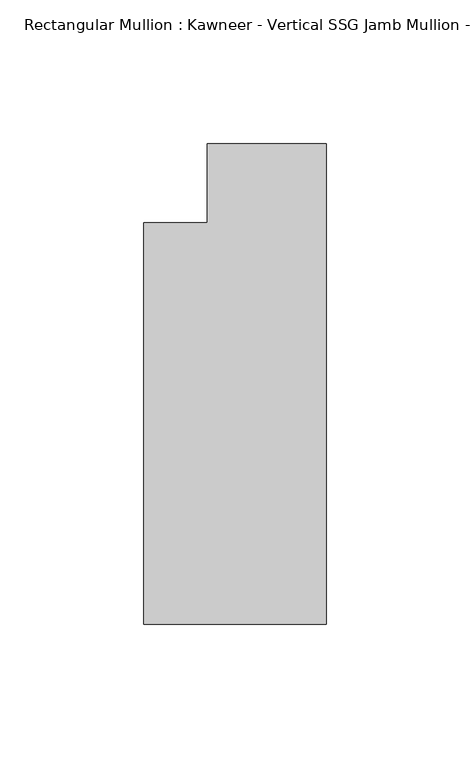
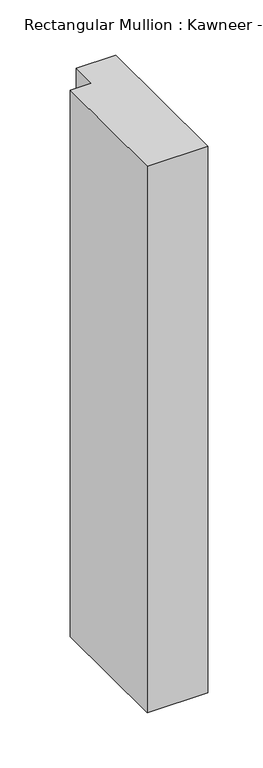
"""IFC4 building model written with IfcOpenShell, lengths in millimetres: member geometry."""

from ifc_helpers import new_model, si_unit, frame, origin, place, context, project, spatial, polyline, outline, extrude, source, transform, mapped, element, save


def member_e9bf86ab(model_context):
    return source(origin(), model_context, "Body", "SweptSolid", [
        extrude(outline(polyline([(0.0, -152.399995), (-63.5, -152.399995), (-63.5, -12.7), (-41.2751132, -12.7), (-41.2751132, 14.8599091), (0.0, 14.8599091), (0.0, -152.399995)])), frame((0.0, 0.0, -606.4249623), z_axis=(0.0, 0.0, 1.0), x_axis=(1.0, 0.0, 0.0)), (0.0, 0.0, 1.0), 606.4249623),
    ])


if __name__ == "__main__":
    model = new_model("IFC4")
    model_context = context("Model", 3, world=origin())
    ifc_project = project(units=[si_unit("LENGTHUNIT", "METRE", prefix="MILLI")], contexts=[model_context])
    site = spatial("IfcSite", under=ifc_project)
    building = spatial("IfcBuilding", under=site)
    placement = place(None, origin())
    member_shape = member_e9bf86ab(model_context)
    element("IfcMember", 1, ObjectType="Rectangular Mullion : Kawneer - Vertical SSG Jamb Mullion - 7 1/2\" - Left", at=placement, inside=building, context=model_context, shape_type="MappedRepresentation", body=[
        mapped(member_shape, transform((0.0, 0.0, 0.0), x_axis=(1.0, 0.0, 0.0), y_axis=(0.0, 1.0, 0.0), z_axis=(0.0, 0.0, 1.0))),
    ])
    save(model, "model.ifc")
